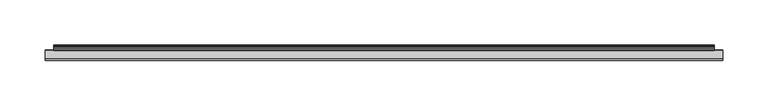
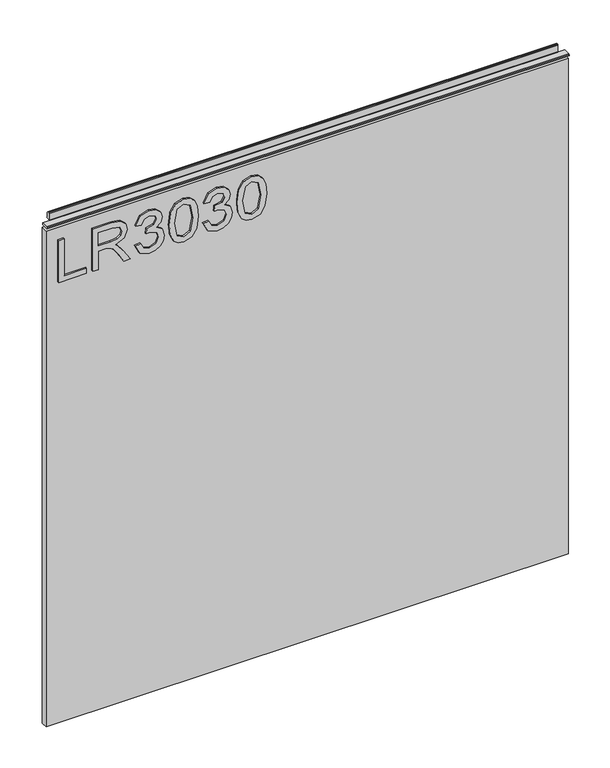
"""IFC4 building model written with IfcOpenShell, lengths in millimetres: furniture geometry."""

from ifc_helpers import new_model, si_unit, frame, origin, place, context, project, spatial, polyline, outline, extrude, source, transform, mapped, element, save


def furniture_c03c00d8(model_context):
    return source(origin(), model_context, "Body", "SweptSolid", [
        extrude(outline(polyline([(773.5951, -281.6939953), (773.5951, -241.8253972), (781.5688196, -241.8253972), (781.5688196, -273.7202757), (837.3848569, -273.7202757), (837.3848569, -281.6939953), (773.5951, -281.6939953)])), frame((0.0, -5.4626842, 0.0), z_axis=(0.0, 1.0, 0.0), x_axis=(0.0, 0.0, 1.0)), (0.0, 0.0, 1.0), 2.38125),
        extrude(outline(polyline([(773.5951, -232.8549627), (773.5951, -224.8812431), (801.5031187, -224.8812431), (801.5031187, -215.2567143), (801.2227926, -210.631334), (799.7043596, -206.8391451), (795.56955, -202.626467), (786.8171468, -196.6306036), (773.5951, -188.3298369), (773.5951, -179.0635026), (790.881875, -189.70032), (799.0891996, -196.1633935), (802.4998336, -200.6953318), (808.4334023, -187.3409088), (819.9267716, -183.0192151), (829.5746609, -185.627805), (835.6639663, -192.6048096), (837.3848569, -205.3674331), (837.3848569, -232.8549627), (773.5951, -232.8549627)]), holes=[polyline([(809.4768383, -224.8812431), (829.4111373, -224.8812431), (829.4111373, -205.0248124), (826.6545975, -194.3646345), (819.6308719, -190.9929347), (814.2190211, -192.7605464), (810.6059294, -197.9310052), (809.4768383, -207.0338159), (809.4768383, -224.8812431)])]), frame((0.0, -5.4626842, 0.0), z_axis=(0.0, 1.0, 0.0), x_axis=(0.0, 0.0, 1.0)), (0.0, 0.0, 1.0), 2.38125),
        extrude(outline(polyline([(790.5392542, -172.0553506), (777.5975335, -165.7168664), (772.598385, -151.7317098), (774.0623101, -143.2090182), (778.4540854, -136.2982017), (784.9483063, -131.7195424), (792.7195681, -130.1933226), (803.0916331, -133.2457621), (808.542418, -141.9358706), (813.8218925, -135.3949287), (821.1726653, -133.1834674), (829.2164664, -135.5117313), (835.1967562, -142.2395572), (837.3848569, -151.8562991), (832.9463607, -164.5332674), (820.4407028, -171.0586356), (819.4439878, -163.084916), (826.9193499, -159.1759246), (829.4111373, -151.5759731), (826.9427105, -144.0694636), (820.7054552, -141.1571871), (813.6661558, -145.1751942), (811.4702682, -155.5005382), (803.4965486, -156.3882374), (804.3686742, -150.7972895), (801.10599, -141.7334129), (792.8597312, -138.1670422), (784.107328, -141.7645602), (780.5721047, -151.4513837), (783.1417604, -159.6820689), (791.5359691, -164.081631), (790.5392542, -172.0553506)])), frame((0.0, -5.4626842, 0.0), z_axis=(0.0, 1.0, 0.0), x_axis=(0.0, 0.0, 1.0)), (0.0, 0.0, 1.0), 2.38125),
        extrude(outline(polyline([(804.9760473, -123.2163179), (789.4607775, -121.6278035), (778.6721168, -116.8622601), (774.116818, -110.570497), (772.598385, -102.2853039), (776.0946742, -90.6128374), (786.7003443, -83.6747669), (804.9760473, -81.3542899), (819.9657058, -82.8026413), (829.4033505, -86.5403224), (835.3291324, -92.9722486), (837.3848569, -102.2853039), (833.9119283, -113.9110494), (823.3296188, -120.8724804), (804.9760473, -123.2163179)]), holes=[polyline([(804.991621, -115.2425983), (825.1439514, -111.3803279), (829.4111373, -102.378746), (824.5677256, -92.9411012), (804.991621, -89.3280095), (785.2052718, -93.0656906), (780.5721047, -102.2853039), (785.1896982, -111.5049172), (804.991621, -115.2425983)])]), frame((0.0, -5.4626842, 0.0), z_axis=(0.0, 1.0, 0.0), x_axis=(0.0, 0.0, 1.0)), (0.0, 0.0, 1.0), 2.38125),
        extrude(outline(polyline([(790.5392542, -74.3772853), (777.5975335, -68.0388011), (772.598385, -54.0536444), (774.0623101, -45.5309529), (778.4540854, -38.6201364), (784.9483063, -34.041477), (792.7195681, -32.5152573), (803.0916331, -35.5676968), (808.542418, -44.2578053), (813.8218925, -37.7168634), (821.1726653, -35.5054021), (829.2164664, -37.833666), (835.1967562, -44.5614919), (837.3848569, -54.1782338), (832.9463607, -66.8552021), (820.4407028, -73.3805703), (819.4439878, -65.4068507), (826.9193499, -61.4978592), (829.4111373, -53.8979077), (826.9427105, -46.3913982), (820.7054552, -43.4791217), (813.6661558, -47.4971289), (811.4702682, -57.8224729), (803.4965486, -58.7101721), (804.3686742, -53.1192242), (801.10599, -44.0553476), (792.8597312, -40.4889769), (784.107328, -44.0864949), (780.5721047, -53.7733184), (783.1417604, -62.0040036), (791.5359691, -66.4035656), (790.5392542, -74.3772853)])), frame((0.0, -5.4626842, 0.0), z_axis=(0.0, 1.0, 0.0), x_axis=(0.0, 0.0, 1.0)), (0.0, 0.0, 1.0), 2.38125),
        extrude(outline(polyline([(804.9760473, -25.5382526), (789.4607775, -23.9497381), (778.6721168, -19.1841948), (774.116818, -12.8924316), (772.598385, -4.6072386), (776.0946742, 7.0652279), (786.7003443, 14.0032984), (804.9760473, 16.3237754), (819.9657058, 14.875424), (829.4033505, 11.1377429), (835.3291324, 4.7058167), (837.3848569, -4.6072386), (833.9119283, -16.2329841), (823.3296188, -23.1944151), (804.9760473, -25.5382526)]), holes=[polyline([(804.991621, -17.564533), (825.1439514, -13.7022625), (829.4111373, -4.7006806), (824.5677256, 4.7369641), (804.991621, 8.3500558), (785.2052718, 4.6123747), (780.5721047, -4.6072386), (785.1896982, -13.8268519), (804.991621, -17.564533)])]), frame((0.0, -5.4626842, 0.0), z_axis=(0.0, 1.0, 0.0), x_axis=(0.0, 0.0, 1.0)), (0.0, 0.0, 1.0), 2.38125),
        extrude(outline(polyline([(5.5562561, 863.5873), (6.3500061, 863.5873), (6.3500061, 873.46155), (7.1437561, 874.2553), (8.6677569, 874.2553), (10.0084363, 873.8379926), (10.875413, 872.7334816), (10.9623604, 871.3320591), (10.2390011, 868.3736459), (10.4046103, 867.1706307), (11.6746103, 864.9709103), (10.7786383, 864.4536244), (7.1437561, 864.4536244), (7.1437561, 863.5873), (6.3500061, 863.3542239), (6.3500061, 856.1451), (5.5562561, 856.1451), (5.5562561, 863.5873)])), frame((-288.671, 0.0, 0.0), z_axis=(1.0, 0.0, 0.0), x_axis=(0.0, 1.0, 0.0)), (0.0, 0.0, 1.0), 729.742),
        extrude(outline(polyline([(5.5562561, 863.5873), (5.5562561, 860.4122996), (-3.975094, 860.4122996), (-5.3492339, 861.2056657), (-5.3492339, 862.7939395), (-3.9751037, 863.5873), (5.5562561, 863.5873)])), frame((-298.196, 0.0, 0.0), z_axis=(1.0, 0.0, 0.0), x_axis=(0.0, 1.0, 0.0)), (0.0, 0.0, 1.0), 748.792),
        extrude(outline(polyline([(450.596, 6.3500061), (450.596, -3.1749939), (-298.196, -3.1749939), (-298.196, 6.3500061), (450.596, 6.3500061)])), frame((0.0, 0.0, 104.68356), z_axis=(0.0, 0.0, 1.0), x_axis=(1.0, 0.0, 0.0)), (0.0, 0.0, 1.0), 751.46154),
    ])


if __name__ == "__main__":
    model = new_model("IFC4")
    model_context = context("Model", 3, world=origin())
    ifc_project = project(units=[si_unit("LENGTHUNIT", "METRE", prefix="MILLI")], contexts=[model_context])
    site = spatial("IfcSite", under=ifc_project)
    building = spatial("IfcBuilding", under=site)
    placement = place(None, origin())
    furniture_shape = furniture_c03c00d8(model_context)
    element("IfcFurniture", 1, at=placement, inside=building, context=model_context, shape_type="MappedRepresentation", body=[
        mapped(furniture_shape, transform((0.0, 0.0, 0.0), x_axis=(1.0, 0.0, 0.0), y_axis=(0.0, 1.0, 0.0), z_axis=(0.0, 0.0, 1.0))),
    ])
    save(model, "model.ifc")
